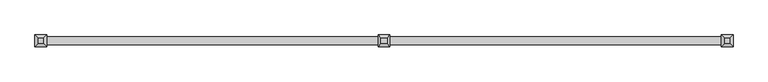
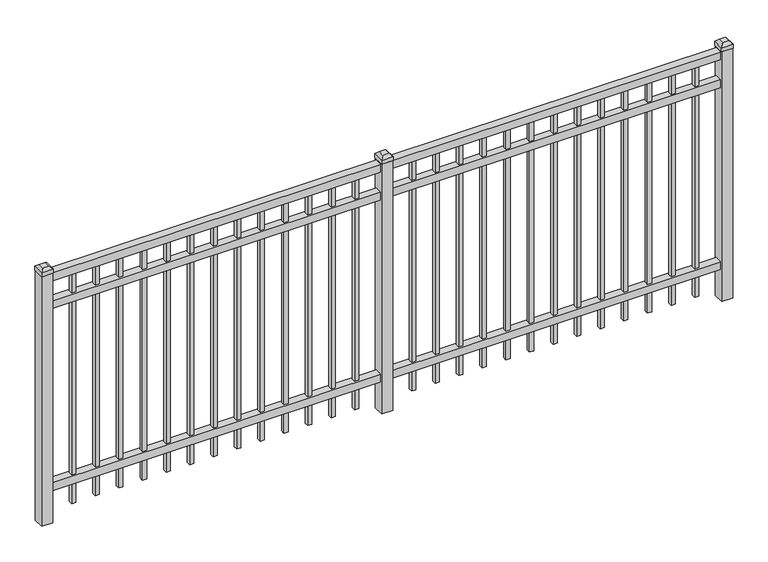
"""IFC4 building model written with IfcOpenShell, lengths in millimetres: railing geometry."""

from ifc_helpers import new_model, si_unit, frame, origin, origin_with_axes, place, context, project, spatial, polyline, outline, extrude, faceted_brep, source, transform, mapped, element, save


def railing_7898d558(model_context):
    return source(origin(), model_context, "Body", "SolidModel", [
        extrude(outline(polyline([(-79633.318087, -652.7195174), (-79633.318087, -617.7945174), (-76483.718087, -617.7945174), (-76483.718087, -652.7195174), (-79633.318087, -652.7195174)])), frame((0.0, 0.0, 1181.1), z_axis=(0.0, 0.0, 1.0), x_axis=(1.0, 0.0, 0.0)), (0.0, 0.0, 1.0), 38.1),
        extrude(outline(polyline([(-79633.318087, -652.7195174), (-79633.318087, -617.7945174), (-76483.718087, -617.7945174), (-76483.718087, -652.7195174), (-79633.318087, -652.7195174)])), frame((0.0, 0.0, 1044.575), z_axis=(0.0, 0.0, 1.0), x_axis=(1.0, 0.0, 0.0)), (0.0, 0.0, 1.0), 38.1),
        extrude(outline(polyline([(-79633.318087, -652.7195174), (-79633.318087, -617.7945174), (-76483.718087, -617.7945174), (-76483.718087, -652.7195174), (-79633.318087, -652.7195174)])), frame((0.0, 0.0, 152.4), z_axis=(0.0, 0.0, 1.0), x_axis=(1.0, 0.0, 0.0)), (0.0, 0.0, 1.0), 38.1),
        extrude(outline(polyline([(-76715.2285036, -625.7320174), (-76715.2285036, -644.7820174), (-76734.2785036, -644.7820174), (-76734.2785036, -625.7320174), (-76715.2285036, -625.7320174)])), frame((0.0, 0.0, 50.8), z_axis=(0.0, 0.0, 1.0), x_axis=(1.0, 0.0, 0.0)), (0.0, 0.0, 1.0), 1130.3),
        extrude(outline(polyline([(-76824.5014203, -625.7320174), (-76824.5014203, -644.7820174), (-76843.5514203, -644.7820174), (-76843.5514203, -625.7320174), (-76824.5014203, -625.7320174)])), frame((0.0, 0.0, 50.8), z_axis=(0.0, 0.0, 1.0), x_axis=(1.0, 0.0, 0.0)), (0.0, 0.0, 1.0), 1130.3),
        extrude(outline(polyline([(-76933.774337, -625.7320174), (-76933.774337, -644.7820174), (-76952.824337, -644.7820174), (-76952.824337, -625.7320174), (-76933.774337, -625.7320174)])), frame((0.0, 0.0, 50.8), z_axis=(0.0, 0.0, 1.0), x_axis=(1.0, 0.0, 0.0)), (0.0, 0.0, 1.0), 1130.3),
        extrude(outline(polyline([(-77043.0472536, -625.7320174), (-77043.0472536, -644.7820174), (-77062.0972536, -644.7820174), (-77062.0972536, -625.7320174), (-77043.0472536, -625.7320174)])), frame((0.0, 0.0, 50.8), z_axis=(0.0, 0.0, 1.0), x_axis=(1.0, 0.0, 0.0)), (0.0, 0.0, 1.0), 1130.3),
        extrude(outline(polyline([(-77152.3201703, -625.7320174), (-77152.3201703, -644.7820174), (-77171.3701703, -644.7820174), (-77171.3701703, -625.7320174), (-77152.3201703, -625.7320174)])), frame((0.0, 0.0, 50.8), z_axis=(0.0, 0.0, 1.0), x_axis=(1.0, 0.0, 0.0)), (0.0, 0.0, 1.0), 1130.3),
        extrude(outline(polyline([(-77261.593087, -625.7320174), (-77261.593087, -644.7820174), (-77280.643087, -644.7820174), (-77280.643087, -625.7320174), (-77261.593087, -625.7320174)])), frame((0.0, 0.0, 50.8), z_axis=(0.0, 0.0, 1.0), x_axis=(1.0, 0.0, 0.0)), (0.0, 0.0, 1.0), 1130.3),
        extrude(outline(polyline([(-77370.8660036, -625.7320174), (-77370.8660036, -644.7820174), (-77389.9160036, -644.7820174), (-77389.9160036, -625.7320174), (-77370.8660036, -625.7320174)])), frame((0.0, 0.0, 50.8), z_axis=(0.0, 0.0, 1.0), x_axis=(1.0, 0.0, 0.0)), (0.0, 0.0, 1.0), 1130.3),
        extrude(outline(polyline([(-77480.1389203, -625.7320174), (-77480.1389203, -644.7820174), (-77499.1889203, -644.7820174), (-77499.1889203, -625.7320174), (-77480.1389203, -625.7320174)])), frame((0.0, 0.0, 50.8), z_axis=(0.0, 0.0, 1.0), x_axis=(1.0, 0.0, 0.0)), (0.0, 0.0, 1.0), 1130.3),
        extrude(outline(polyline([(-77589.411837, -625.7320174), (-77589.411837, -644.7820174), (-77608.461837, -644.7820174), (-77608.461837, -625.7320174), (-77589.411837, -625.7320174)])), frame((0.0, 0.0, 50.8), z_axis=(0.0, 0.0, 1.0), x_axis=(1.0, 0.0, 0.0)), (0.0, 0.0, 1.0), 1130.3),
        extrude(outline(polyline([(-77698.6847536, -625.7320174), (-77698.6847536, -644.7820174), (-77717.7347536, -644.7820174), (-77717.7347536, -625.7320174), (-77698.6847536, -625.7320174)])), frame((0.0, 0.0, 50.8), z_axis=(0.0, 0.0, 1.0), x_axis=(1.0, 0.0, 0.0)), (0.0, 0.0, 1.0), 1130.3),
        extrude(outline(polyline([(-77807.9576703, -625.7320174), (-77807.9576703, -644.7820174), (-77827.0076703, -644.7820174), (-77827.0076703, -625.7320174), (-77807.9576703, -625.7320174)])), frame((0.0, 0.0, 50.8), z_axis=(0.0, 0.0, 1.0), x_axis=(1.0, 0.0, 0.0)), (0.0, 0.0, 1.0), 1130.3),
        extrude(outline(polyline([(-76605.955587, -625.7320174), (-76605.955587, -644.7820174), (-76625.005587, -644.7820174), (-76625.005587, -625.7320174), (-76605.955587, -625.7320174)])), frame((0.0, 0.0, 50.8), z_axis=(0.0, 0.0, 1.0), x_axis=(1.0, 0.0, 0.0)), (0.0, 0.0, 1.0), 1130.3),
        extrude(outline(polyline([(-77917.230587, -625.7320174), (-77917.230587, -644.7820174), (-77936.280587, -644.7820174), (-77936.280587, -625.7320174), (-77917.230587, -625.7320174)])), frame((0.0, 0.0, 50.8), z_axis=(0.0, 0.0, 1.0), x_axis=(1.0, 0.0, 0.0)), (0.0, 0.0, 1.0), 1130.3),
        extrude(outline(polyline([(-78033.118087, -609.8570174), (-78033.118087, -660.6570174), (-78083.918087, -660.6570174), (-78083.918087, -609.8570174), (-78033.118087, -609.8570174)])), origin_with_axes(), (0.0, 0.0, 1.0), 1225.55),
        faceted_brep([(-78085.505587, -608.2695174, 1244.6), (-78085.505587, -608.2695174, 1225.55), (-78085.505587, -662.2445174, 1225.55), (-78085.505587, -662.2445174, 1244.6), (-78072.805587, -620.9695174, 1257.3), (-78072.805587, -649.5445174, 1257.3), (-78031.530587, -662.2445174, 1225.55), (-78031.530587, -662.2445174, 1244.6), (-78044.230587, -649.5445174, 1257.3), (-78031.530587, -608.2695174, 1225.55), (-78031.530587, -608.2695174, 1244.6), (-78044.230587, -620.9695174, 1257.3)], [[[0, 1, 2, 3]], [[4, 0, 3, 5]], [[3, 2, 6, 7]], [[5, 3, 7, 8]], [[7, 6, 9, 10]], [[8, 7, 10, 11]], [[10, 9, 1, 0]], [[11, 10, 0, 4]], [[5, 8, 11, 4]], [[1, 9, 6, 2]]]),
        extrude(outline(polyline([(-78290.0285036, -625.7320174), (-78290.0285036, -644.7820174), (-78309.0785036, -644.7820174), (-78309.0785036, -625.7320174), (-78290.0285036, -625.7320174)])), frame((0.0, 0.0, 50.8), z_axis=(0.0, 0.0, 1.0), x_axis=(1.0, 0.0, 0.0)), (0.0, 0.0, 1.0), 1130.3),
        extrude(outline(polyline([(-78399.3014203, -625.7320174), (-78399.3014203, -644.7820174), (-78418.3514203, -644.7820174), (-78418.3514203, -625.7320174), (-78399.3014203, -625.7320174)])), frame((0.0, 0.0, 50.8), z_axis=(0.0, 0.0, 1.0), x_axis=(1.0, 0.0, 0.0)), (0.0, 0.0, 1.0), 1130.3),
        extrude(outline(polyline([(-78508.574337, -625.7320174), (-78508.574337, -644.7820174), (-78527.624337, -644.7820174), (-78527.624337, -625.7320174), (-78508.574337, -625.7320174)])), frame((0.0, 0.0, 50.8), z_axis=(0.0, 0.0, 1.0), x_axis=(1.0, 0.0, 0.0)), (0.0, 0.0, 1.0), 1130.3),
        extrude(outline(polyline([(-78617.8472536, -625.7320174), (-78617.8472536, -644.7820174), (-78636.8972536, -644.7820174), (-78636.8972536, -625.7320174), (-78617.8472536, -625.7320174)])), frame((0.0, 0.0, 50.8), z_axis=(0.0, 0.0, 1.0), x_axis=(1.0, 0.0, 0.0)), (0.0, 0.0, 1.0), 1130.3),
        extrude(outline(polyline([(-78727.1201703, -625.7320174), (-78727.1201703, -644.7820174), (-78746.1701703, -644.7820174), (-78746.1701703, -625.7320174), (-78727.1201703, -625.7320174)])), frame((0.0, 0.0, 50.8), z_axis=(0.0, 0.0, 1.0), x_axis=(1.0, 0.0, 0.0)), (0.0, 0.0, 1.0), 1130.3),
        extrude(outline(polyline([(-78836.393087, -625.7320174), (-78836.393087, -644.7820174), (-78855.443087, -644.7820174), (-78855.443087, -625.7320174), (-78836.393087, -625.7320174)])), frame((0.0, 0.0, 50.8), z_axis=(0.0, 0.0, 1.0), x_axis=(1.0, 0.0, 0.0)), (0.0, 0.0, 1.0), 1130.3),
        extrude(outline(polyline([(-78945.6660036, -625.7320174), (-78945.6660036, -644.7820174), (-78964.7160036, -644.7820174), (-78964.7160036, -625.7320174), (-78945.6660036, -625.7320174)])), frame((0.0, 0.0, 50.8), z_axis=(0.0, 0.0, 1.0), x_axis=(1.0, 0.0, 0.0)), (0.0, 0.0, 1.0), 1130.3),
        extrude(outline(polyline([(-79054.9389203, -625.7320174), (-79054.9389203, -644.7820174), (-79073.9889203, -644.7820174), (-79073.9889203, -625.7320174), (-79054.9389203, -625.7320174)])), frame((0.0, 0.0, 50.8), z_axis=(0.0, 0.0, 1.0), x_axis=(1.0, 0.0, 0.0)), (0.0, 0.0, 1.0), 1130.3),
        extrude(outline(polyline([(-79164.211837, -625.7320174), (-79164.211837, -644.7820174), (-79183.261837, -644.7820174), (-79183.261837, -625.7320174), (-79164.211837, -625.7320174)])), frame((0.0, 0.0, 50.8), z_axis=(0.0, 0.0, 1.0), x_axis=(1.0, 0.0, 0.0)), (0.0, 0.0, 1.0), 1130.3),
        extrude(outline(polyline([(-79273.4847536, -625.7320174), (-79273.4847536, -644.7820174), (-79292.5347536, -644.7820174), (-79292.5347536, -625.7320174), (-79273.4847536, -625.7320174)])), frame((0.0, 0.0, 50.8), z_axis=(0.0, 0.0, 1.0), x_axis=(1.0, 0.0, 0.0)), (0.0, 0.0, 1.0), 1130.3),
        extrude(outline(polyline([(-79382.7576703, -625.7320174), (-79382.7576703, -644.7820174), (-79401.8076703, -644.7820174), (-79401.8076703, -625.7320174), (-79382.7576703, -625.7320174)])), frame((0.0, 0.0, 50.8), z_axis=(0.0, 0.0, 1.0), x_axis=(1.0, 0.0, 0.0)), (0.0, 0.0, 1.0), 1130.3),
        extrude(outline(polyline([(-78180.755587, -625.7320174), (-78180.755587, -644.7820174), (-78199.805587, -644.7820174), (-78199.805587, -625.7320174), (-78180.755587, -625.7320174)])), frame((0.0, 0.0, 50.8), z_axis=(0.0, 0.0, 1.0), x_axis=(1.0, 0.0, 0.0)), (0.0, 0.0, 1.0), 1130.3),
        extrude(outline(polyline([(-79492.030587, -625.7320174), (-79492.030587, -644.7820174), (-79511.080587, -644.7820174), (-79511.080587, -625.7320174), (-79492.030587, -625.7320174)])), frame((0.0, 0.0, 50.8), z_axis=(0.0, 0.0, 1.0), x_axis=(1.0, 0.0, 0.0)), (0.0, 0.0, 1.0), 1130.3),
        extrude(outline(polyline([(-76458.318087, -609.8570174), (-76458.318087, -660.6570174), (-76509.118087, -660.6570174), (-76509.118087, -609.8570174), (-76458.318087, -609.8570174)])), origin_with_axes(), (0.0, 0.0, 1.0), 1225.55),
        faceted_brep([(-76510.705587, -608.2695174, 1244.6), (-76510.705587, -608.2695174, 1225.55), (-76510.705587, -662.2445174, 1225.55), (-76510.705587, -662.2445174, 1244.6), (-76498.005587, -620.9695174, 1257.3), (-76498.005587, -649.5445174, 1257.3), (-76456.730587, -662.2445174, 1225.55), (-76456.730587, -662.2445174, 1244.6), (-76469.430587, -649.5445174, 1257.3), (-76456.730587, -608.2695174, 1225.55), (-76456.730587, -608.2695174, 1244.6), (-76469.430587, -620.9695174, 1257.3)], [[[0, 1, 2, 3]], [[4, 0, 3, 5]], [[3, 2, 6, 7]], [[5, 3, 7, 8]], [[7, 6, 9, 10]], [[8, 7, 10, 11]], [[10, 9, 1, 0]], [[11, 10, 0, 4]], [[5, 8, 11, 4]], [[1, 9, 6, 2]]]),
        extrude(outline(polyline([(-79607.918087, -609.8570174), (-79607.918087, -660.6570174), (-79658.718087, -660.6570174), (-79658.718087, -609.8570174), (-79607.918087, -609.8570174)])), origin_with_axes(), (0.0, 0.0, 1.0), 1225.55),
        faceted_brep([(-79660.305587, -608.2695174, 1244.6), (-79660.305587, -608.2695174, 1225.55), (-79660.305587, -662.2445174, 1225.55), (-79660.305587, -662.2445174, 1244.6), (-79647.605587, -620.9695174, 1257.3), (-79647.605587, -649.5445174, 1257.3), (-79606.330587, -662.2445174, 1225.55), (-79606.330587, -662.2445174, 1244.6), (-79619.030587, -649.5445174, 1257.3), (-79606.330587, -608.2695174, 1225.55), (-79606.330587, -608.2695174, 1244.6), (-79619.030587, -620.9695174, 1257.3)], [[[0, 1, 2, 3]], [[4, 0, 3, 5]], [[3, 2, 6, 7]], [[5, 3, 7, 8]], [[7, 6, 9, 10]], [[8, 7, 10, 11]], [[10, 9, 1, 0]], [[11, 10, 0, 4]], [[5, 8, 11, 4]], [[1, 9, 6, 2]]]),
    ])


if __name__ == "__main__":
    model = new_model("IFC4")
    model_context = context("Model", 3, world=origin())
    ifc_project = project(units=[si_unit("LENGTHUNIT", "METRE", prefix="MILLI")], contexts=[model_context])
    site = spatial("IfcSite", under=ifc_project)
    building = spatial("IfcBuilding", under=site)
    placement = place(None, origin())
    railing_shape = railing_7898d558(model_context)
    element("IfcRailing", 1, at=placement, inside=building, context=model_context, shape_type="MappedRepresentation", body=[
        mapped(railing_shape, transform((0.0, 0.0, 0.0), x_axis=(1.0, 0.0, 0.0), y_axis=(0.0, 1.0, 0.0), z_axis=(0.0, 0.0, 1.0))),
    ])
    save(model, "model.ifc")
